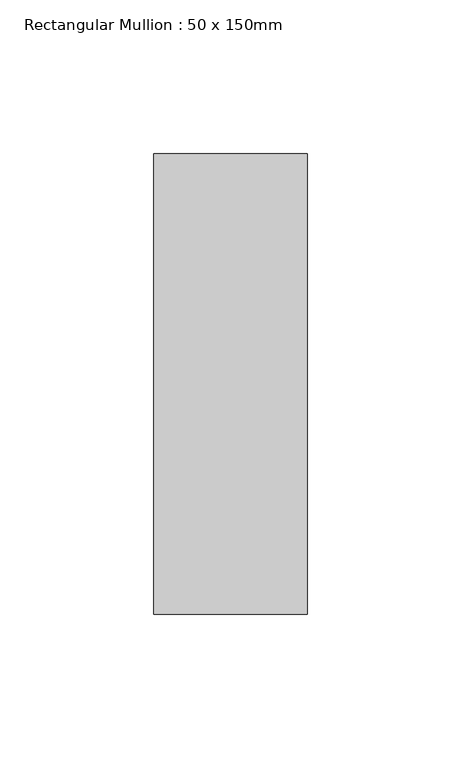
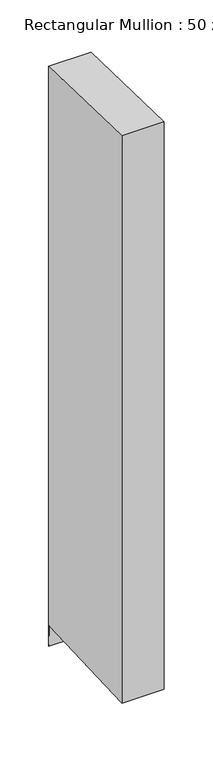
"""IFC4 building model written with IfcOpenShell, lengths in millimetres: member geometry, Rectangular Mullion : 50 x 150mm."""

from ifc_helpers import new_model, si_unit, origin, place, context, project, spatial, faceted_brep, source, transform, mapped, element, save


def rectangular_mullion_50_x_150mm_be13ac2e(model_context):
    return source(origin(), model_context, "Body", "Brep", [
        faceted_brep([(-25.0, 75.0, -2.1780073), (25.0, 75.0, -2.1780073), (25.0, 75.0, -726.82258), (0.0, 75.0, -726.82258), (-25.0, 75.0, -726.82258), (-25.0, -75.0, 2.1780073), (-25.0, 73.7582407, -700.1091962), (-25.0, -75.0, -707.0241545), (25.0, -75.0, 2.1780073), (0.0, -75.0, -707.0241545), (25.0, -75.0, -707.0241545), (25.0, 73.7582407, -700.1091962), (0.0, 73.7582407, -700.1091962)], [[[0, 1, 2, 3, 4]], [[5, 0, 4, 6, 7]], [[8, 5, 7, 9, 10]], [[1, 8, 10, 11, 2]], [[1, 0, 5, 8]], [[2, 11, 12, 3]], [[11, 10, 9, 12]], [[9, 7, 6, 12]], [[6, 4, 3, 12]]]),
    ])


if __name__ == "__main__":
    model = new_model("IFC4")
    model_context = context("Model", 3, world=origin())
    ifc_project = project(units=[si_unit("LENGTHUNIT", "METRE", prefix="MILLI")], contexts=[model_context])
    site = spatial("IfcSite", under=ifc_project)
    building = spatial("IfcBuilding", under=site)
    placement = place(None, origin())
    rectangular_mullion_50_x_150mm_shape = rectangular_mullion_50_x_150mm_be13ac2e(model_context)
    element("IfcMember", 1, ObjectType="Rectangular Mullion : 50 x 150mm", at=placement, inside=building, context=model_context, shape_type="MappedRepresentation", body=[
        mapped(rectangular_mullion_50_x_150mm_shape, transform((0.0, 0.0, 0.0), x_axis=(1.0, 0.0, 0.0), y_axis=(0.0, 1.0, 0.0), z_axis=(0.0, 0.0, 1.0))),
    ])
    save(model, "model.ifc")
